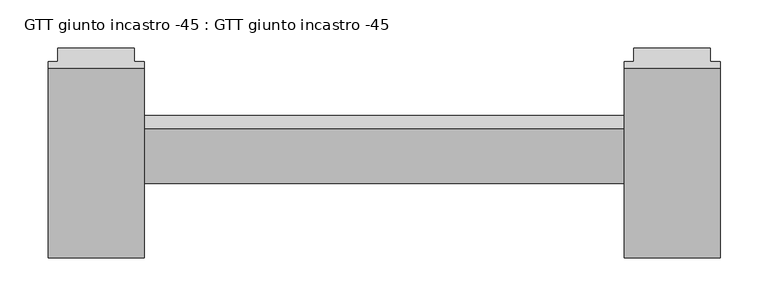
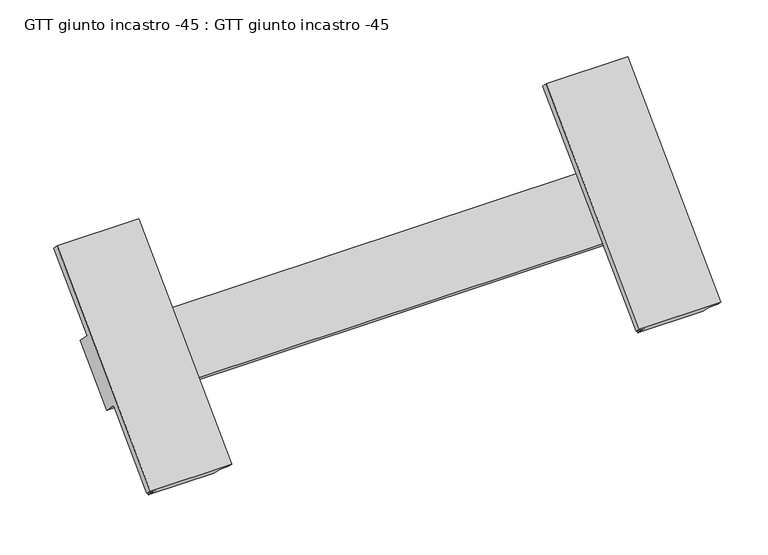
"""IFC4 building model written with IfcOpenShell, lengths in millimetres: proxy geometry, GTT giunto incastro -45 : GTT giunto incastro -45."""

from ifc_helpers import new_model, si_unit, origin, place, context, project, spatial, faceted_brep, source, transform, mapped, element, save


def gtt_giunto_incastro_45_gtt_giunto_incastro_45_543cce71(model_context):
    return source(origin(), model_context, "Body", "Brep", [
        faceted_brep([(10.0, 69.6015511, 103.3883476), (90.0, 69.6015511, 103.3883476), (70.0, -1.109127, 32.6776695), (630.0, -1.109127, 32.6776695), (610.0, 69.6015511, 103.3883476), (690.0, 69.6015511, 103.3883476), (670.0, -1.109127, 32.6776695), (700.0, -1.109127, 32.6776695), (700.0, -57.6776695, -23.890873), (670.0, -57.6776695, -23.890873), (690.0, -128.3883476, -94.6015511), (610.0, -128.3883476, -94.6015511), (630.0, -57.6776695, -23.890873), (70.0, -57.6776695, -23.890873), (90.0, -128.3883476, -94.6015511), (10.0, -128.3883476, -94.6015511), (30.0, -57.6776695, -23.890873), (0.0, -57.6776695, -23.890873), (0.0, -1.109127, 32.6776695), (30.0, -1.109127, 32.6776695), (30.0, -15.2512627, 46.8198052), (10.0, 55.4594155, 117.5304833), (90.0, 55.4594155, 117.5304833), (70.0, -15.2512627, 46.8198052), (0.0, 55.4594155, 117.5304833), (0.0, 48.3883476, 124.6015511), (100.0, 48.3883476, 124.6015511), (100.0, 55.4594155, 117.5304833), (630.0, -15.2512627, 46.8198052), (610.0, 55.4594155, 117.5304833), (690.0, 55.4594155, 117.5304833), (670.0, -15.2512627, 46.8198052), (600.0, 55.4594155, 117.5304833), (600.0, 48.3883476, 124.6015511), (700.0, 48.3883476, 124.6015511), (700.0, 55.4594155, 117.5304833), (690.0, -142.5304833, -80.4594155), (700.0, -142.5304833, -80.4594155), (700.0, -149.6015511, -73.3883476), (600.0, -149.6015511, -73.3883476), (600.0, -142.5304833, -80.4594155), (610.0, -142.5304833, -80.4594155), (670.0, -71.8198052, -9.7487373), (630.0, -71.8198052, -9.7487373), (90.0, -142.5304833, -80.4594155), (100.0, -142.5304833, -80.4594155), (100.0, -149.6015511, -73.3883476), (0.0, -149.6015511, -73.3883476), (0.0, -142.5304833, -80.4594155), (10.0, -142.5304833, -80.4594155), (70.0, -71.8198052, -9.7487373), (30.0, -71.8198052, -9.7487373), (600.0, -15.2512627, 46.8198052), (700.0, -15.2512627, 46.8198052), (700.0, -71.8198052, -9.7487373), (600.0, -71.8198052, -9.7487373), (0.0, -15.2512627, 46.8198052), (100.0, -15.2512627, 46.8198052), (100.0, -71.8198052, -9.7487373), (0.0, -71.8198052, -9.7487373)], [[[0, 1, 2, 3, 4, 5, 6, 7, 8, 9, 10, 11, 12, 13, 14, 15, 16, 17, 18, 19]], [[0, 19, 20, 21]], [[2, 1, 22, 23]], [[1, 0, 21, 24, 25, 26, 27, 22]], [[4, 3, 28, 29]], [[6, 5, 30, 31]], [[5, 4, 29, 32, 33, 34, 35, 30]], [[11, 10, 36, 37, 38, 39, 40, 41]], [[10, 9, 42, 36]], [[12, 11, 41, 43]], [[15, 14, 44, 45, 46, 47, 48, 49]], [[14, 13, 50, 44]], [[16, 15, 49, 51]], [[34, 33, 39, 38]], [[32, 29, 28, 52]], [[30, 35, 53, 31]], [[37, 36, 42, 54]], [[41, 40, 55, 43]], [[39, 33, 32, 52, 55, 40]], [[34, 38, 37, 54, 8, 7, 53, 35]], [[26, 25, 47, 46]], [[24, 21, 20, 56]], [[22, 27, 57, 23]], [[45, 44, 50, 58]], [[49, 48, 59, 51]], [[47, 25, 24, 56, 18, 17, 59, 48]], [[26, 46, 45, 58, 57, 27]], [[52, 57, 58, 55]], [[3, 2, 23, 57, 52, 28]], [[53, 7, 6, 31]], [[18, 56, 20, 19]], [[13, 12, 43, 55, 58, 50]], [[8, 54, 42, 9]], [[59, 17, 16, 51]]]),
    ])


if __name__ == "__main__":
    model = new_model("IFC4")
    model_context = context("Model", 3, world=origin())
    ifc_project = project(units=[si_unit("LENGTHUNIT", "METRE", prefix="MILLI")], contexts=[model_context])
    site = spatial("IfcSite", under=ifc_project)
    building = spatial("IfcBuilding", under=site)
    placement = place(None, origin())
    gtt_giunto_incastro_45_gtt_giunto_incastro_45_shape = gtt_giunto_incastro_45_gtt_giunto_incastro_45_543cce71(model_context)
    element("IfcBuildingElementProxy", 1, Name="GTT giunto incastro -45 : GTT giunto incastro -45", ObjectType="GTT giunto incastro -45 : GTT giunto incastro -45", at=placement, inside=building, context=model_context, shape_type="MappedRepresentation", body=[
        mapped(gtt_giunto_incastro_45_gtt_giunto_incastro_45_shape, transform((0.0, 0.0, 0.0), x_axis=(1.0, 0.0, 0.0), y_axis=(0.0, 1.0, 0.0), z_axis=(0.0, 0.0, 1.0))),
    ])
    save(model, "model.ifc")
